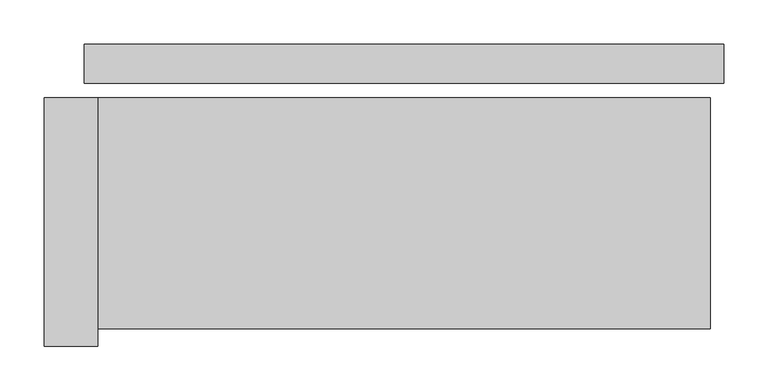
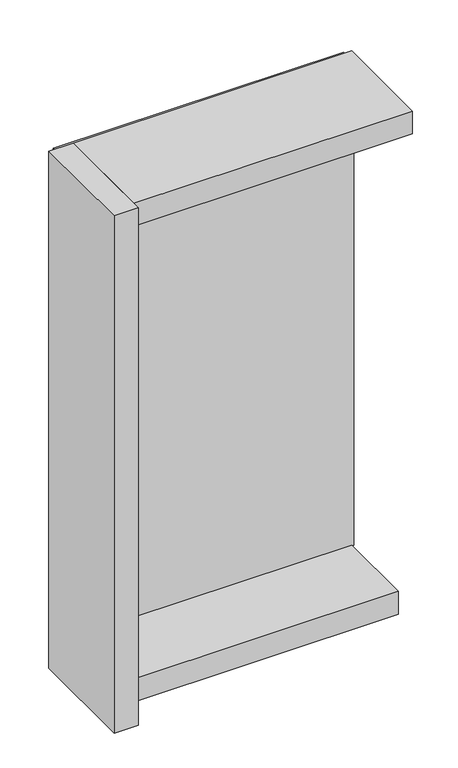
"""IFC4 building model written with IfcOpenShell, lengths in millimetres: plate geometry."""

from ifc_helpers import new_model, si_unit, frame, origin, origin_with_axes, place, context, project, spatial, polyline, outline, extrude, source, transform, mapped, element, save


def plate_d82efbe0(model_context):
    return source(origin(), model_context, "Body", "SweptSolid", [
        extrude(outline(polyline([(360.0, 0.0), (360.0, -44.0), (-360.0, -44.0), (-360.0, 0.0), (360.0, 0.0)])), origin_with_axes(), (0.0, 0.0, 1.0), 1264.465707),
        extrude(outline(polyline([(-345.0, -60.0), (-345.0, -340.0), (-405.0, -340.0), (-405.0, -60.0), (-345.0, -60.0)])), frame((0.0, 0.0, -45.0), z_axis=(0.0, 0.0, 1.0), x_axis=(1.0, 0.0, 0.0)), (0.0, 0.0, 1.0), 1354.465707),
        extrude(outline(polyline([(345.0, -260.0), (-345.0, -260.0), (-345.0, -60.0), (345.0, -60.0), (345.0, -260.0)])), frame((0.0, 0.0, -45.0), z_axis=(0.0, 0.0, 1.0), x_axis=(1.0, 0.0, 0.0)), (0.0, 0.0, 1.0), 60.0),
        extrude(outline(polyline([(345.0, -60.0), (345.0, -320.0), (-345.0, -320.0), (-345.0, -60.0), (345.0, -60.0)])), frame((0.0, 0.0, 1249.465707), z_axis=(0.0, 0.0, 1.0), x_axis=(1.0, 0.0, 0.0)), (0.0, 0.0, 1.0), 60.0),
    ])


if __name__ == "__main__":
    model = new_model("IFC4")
    model_context = context("Model", 3, world=origin())
    ifc_project = project(units=[si_unit("LENGTHUNIT", "METRE", prefix="MILLI")], contexts=[model_context])
    site = spatial("IfcSite", under=ifc_project)
    building = spatial("IfcBuilding", under=site)
    placement = place(None, origin())
    plate_shape = plate_d82efbe0(model_context)
    element("IfcPlate", 1, at=placement, inside=building, context=model_context, shape_type="MappedRepresentation", body=[
        mapped(plate_shape, transform((0.0, 0.0, 0.0), x_axis=(1.0, 0.0, 0.0), y_axis=(0.0, 1.0, 0.0), z_axis=(0.0, 0.0, 1.0))),
    ])
    save(model, "model.ifc")
